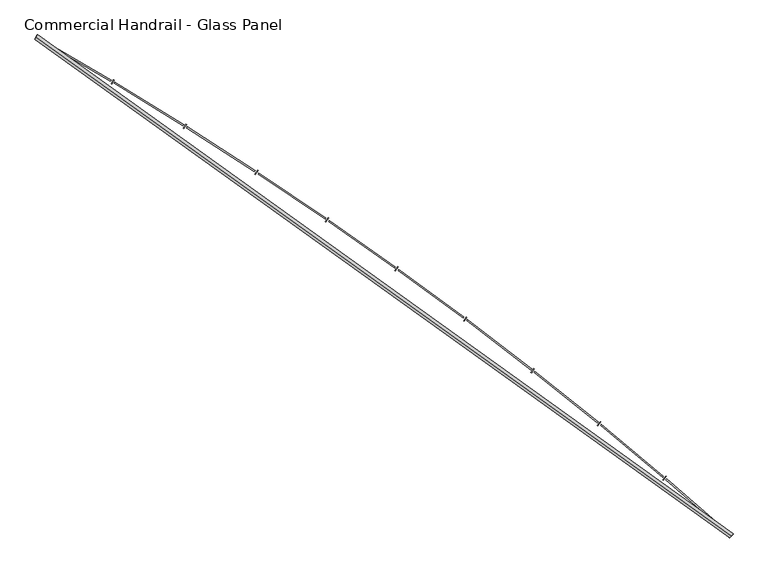
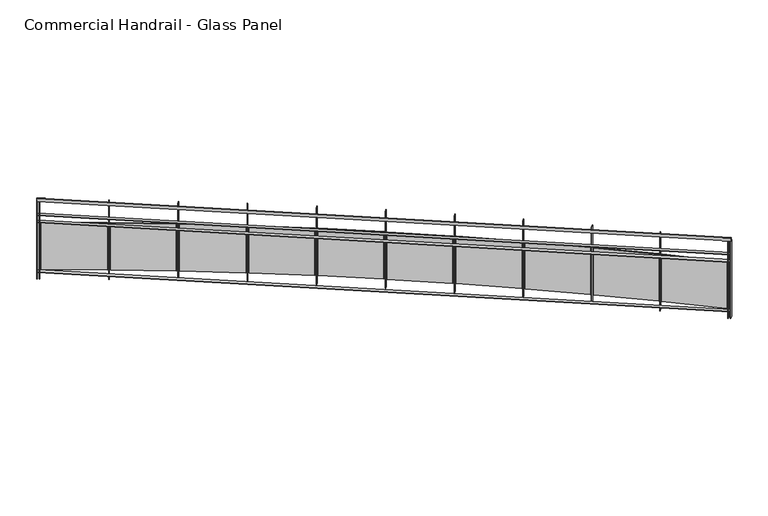
"""IFC4 building model written with IfcOpenShell, lengths in millimetres: railing geometry, Commercial Handrail - Glass Panel."""

from ifc_helpers import new_model, si_unit, point, frame, origin, place, context, project, spatial, polyline, circle_curve, ellipse_curve, trimmed, outline, extrude, source, transform, mapped, element, save
from ifc_brep_helpers import plane_surface, cylinder_surface, revolved_surface, advanced_brep


def commercial_handrail_glass_panel_97b511db(model_context):
    return source(origin(), model_context, "Body", "SolidModel", [
        advanced_brep(
        [(167549.0741026, -21421.502679, 16282.5), (161013.6212135, -16726.1286002, 16282.5), (161013.6212135, -16726.1286002, 16317.5), (167549.0741026, -21421.502679, 16317.5)],
        [
            (0, 1, circle_curve(frame((141448.4989992, -50854.6714836, 16282.5), z_axis=(0.0, 0.0, 1.0), x_axis=(0.4973475894068907, 0.8675513675346002, 0.0)), 39338.9304203)),
            (1, 2, ellipse_curve(frame((161013.6212135, -16726.1286002, 16300.0), z_axis=(0.867551367534597, -0.4973475894068962, 0.0), x_axis=(-0.4973475894068962, -0.867551367534597, 0.0)), 25.0, 17.5)),
            (2, 3, circle_curve(frame((141448.4989992, -50854.6714836, 16317.5), z_axis=(0.0, 0.0, -1.0), x_axis=(0.4973475894068907, 0.8675513675346002, 0.0)), 39338.9304203)),
            (3, 0, ellipse_curve(frame((167549.0741026, -21421.502679, 16300.0), z_axis=(-0.748194434626209, 0.6634795309535686, 0.0), x_axis=(-0.6634795309535686, -0.748194434626209, 0.0)), 25.0, 17.5)),
            (2, 1, ellipse_curve(frame((161013.6212135, -16726.1286002, 16300.0), z_axis=(0.867551367534597, -0.4973475894068962, 0.0), x_axis=(-0.4973475894068962, -0.867551367534597, 0.0)), 25.0, 17.5)),
            (0, 3, ellipse_curve(frame((167549.0741026, -21421.502679, 16300.0), z_axis=(-0.748194434626209, 0.6634795309535686, 0.0), x_axis=(-0.6634795309535686, -0.748194434626209, 0.0)), 25.0, 17.5)),
        ],
        [
            revolved_surface(trimmed(ellipse_curve(frame((161013.6212135, -16726.1286002, 16300.0), z_axis=(-0.8675513675346002, 0.4973475894068907, 0.0), x_axis=(0.0, 0.0, -1.0)), 17.5, 25.0), [point((161013.6212135, -16726.1286002, 16317.5))], [point((161013.6212135, -16726.1286002, 16282.5))], True, "CARTESIAN"), (141448.4989992, -50854.6714836, 16300.0), (0.0, 0.0, -1.0)),
            revolved_surface(trimmed(ellipse_curve(frame((161013.6212135, -16726.1286002, 16300.0), z_axis=(-0.8675513675346002, 0.4973475894068907, 0.0), x_axis=(0.0, 0.0, -1.0)), 17.5, 25.0), [point((161013.6212135, -16726.1286002, 16282.5))], [point((161013.6212135, -16726.1286002, 16317.5))], True, "CARTESIAN"), (141448.4989992, -50854.6714836, 16300.0), (0.0, 0.0, -1.0)),
            plane_surface(frame((161013.6212135, -16726.1286002, 16300.0), z_axis=(-0.8675513675346002, 0.4973475894068907, 0.0), x_axis=(0.4973475894068907, 0.8675513675346002, 0.0))),
            plane_surface(frame((167549.0741026, -21421.502679, 16300.0), z_axis=(0.7481944346262088, -0.663479530953569, 0.0), x_axis=(0.663479530953569, 0.7481944346262088, 0.0))),
        ],
        [
            (0, [[1, 2, 3, 4]]),
            (1, [[-3, 5, -1, 6]]),
            (2, [[-2, -5]]),
            (3, [[-6, -4]]),
        ],
    ),
        advanced_brep(
        [(167564.0023921, -21404.6683042, 16100.0), (161024.8115343, -16706.6086944, 16100.0), (161002.4308928, -16745.6485059, 16100.0), (167534.1458132, -21438.3370538, 16100.0), (167564.0023921, -21404.6683042, 16094.0), (161024.8115343, -16706.6086944, 16094.0), (167534.1458132, -21438.3370538, 16094.0), (161002.4308928, -16745.6485059, 16094.0)],
        [
            (0, 1, circle_curve(frame((141448.4989992, -50854.6714836, 16100.0), z_axis=(0.0, 0.0, 1.0), x_axis=(0.4973475894068907, 0.8675513675346002, 0.0)), 39361.4304203)),
            (1, 2),
            (2, 3, circle_curve(frame((141448.4989992, -50854.6714836, 16100.0), z_axis=(0.0, 0.0, -1.0), x_axis=(0.4973475894068907, 0.8675513675346002, 0.0)), 39316.4304203)),
            (3, 0),
            (4, 5, circle_curve(frame((141448.4989992, -50854.6714836, 16094.0), z_axis=(0.0, 0.0, 1.0), x_axis=(0.4973475894068907, 0.8675513675346002, 0.0)), 39361.4304203)),
            (5, 1),
            (0, 4),
            (6, 7, circle_curve(frame((141448.4989992, -50854.6714836, 16094.0), z_axis=(0.0, 0.0, 1.0), x_axis=(0.4973475894068907, 0.8675513675346002, 0.0)), 39316.4304203)),
            (7, 5),
            (4, 6),
            (2, 7),
            (6, 3),
        ],
        [
            plane_surface(frame((141448.4989992, -50854.6714836, 16100.0), z_axis=(0.0, 0.0, 1.0), x_axis=(0.4973475894068907, 0.8675513675346002, 0.0))),
            cylinder_surface(frame((141448.4989992, -50854.6714836, 16100.0), z_axis=(0.0, 0.0, -1.0), x_axis=(0.4973475894068907, 0.8675513675346002, 0.0)), 39361.4304203),
            plane_surface(frame((141448.4989992, -50854.6714836, 16094.0), z_axis=(0.0, 0.0, -1.0), x_axis=(0.4973475894068907, 0.8675513675346002, 0.0))),
            revolved_surface(polyline([(161002.43089281995, -16745.64850588978, 16094.0), (161002.43089281995, -16745.64850588978, 16100.0)]), (141448.4989992, -50854.6714836, 16100.0), (0.0, 0.0, -1.0)),
            plane_surface(frame((161013.6212135, -16726.1286002, 16100.0), z_axis=(-0.8675513675346002, 0.4973475894068907, 0.0), x_axis=(0.4973475894068907, 0.8675513675346002, 0.0))),
            plane_surface(frame((167549.0741026, -21421.502679, 16100.0), z_axis=(0.7481944346262088, -0.663479530953569, 0.0), x_axis=(0.663479530953569, 0.7481944346262088, 0.0))),
        ],
        [
            (0, [[1, 2, 3, 4]]),
            (1, [[5, 6, -1, 7]]),
            (2, [[8, 9, -5, 10]]),
            (3, [[-3, 11, -8, 12]]),
            (4, [[-2, -6, -9, -11]]),
            (5, [[-12, -10, -7, -4]]),
        ],
    ),
        advanced_brep(
        [(167564.0023921, -21404.6683042, 16000.0), (161024.8115343, -16706.6086944, 16000.0), (161002.4308928, -16745.6485059, 16000.0), (167534.1458132, -21438.3370538, 16000.0), (167564.0023921, -21404.6683042, 15994.0), (161024.8115343, -16706.6086944, 15994.0), (167534.1458132, -21438.3370538, 15994.0), (161002.4308928, -16745.6485059, 15994.0)],
        [
            (0, 1, circle_curve(frame((141448.4989992, -50854.6714836, 16000.0), z_axis=(0.0, 0.0, 1.0), x_axis=(0.4973475894068907, 0.8675513675346002, 0.0)), 39361.4304203)),
            (1, 2),
            (2, 3, circle_curve(frame((141448.4989992, -50854.6714836, 16000.0), z_axis=(0.0, 0.0, -1.0), x_axis=(0.4973475894068907, 0.8675513675346002, 0.0)), 39316.4304203)),
            (3, 0),
            (4, 5, circle_curve(frame((141448.4989992, -50854.6714836, 15994.0), z_axis=(0.0, 0.0, 1.0), x_axis=(0.4973475894068907, 0.8675513675346002, 0.0)), 39361.4304203)),
            (5, 1),
            (0, 4),
            (6, 7, circle_curve(frame((141448.4989992, -50854.6714836, 15994.0), z_axis=(0.0, 0.0, 1.0), x_axis=(0.4973475894068907, 0.8675513675346002, 0.0)), 39316.4304203)),
            (7, 5),
            (4, 6),
            (2, 7),
            (6, 3),
        ],
        [
            plane_surface(frame((141448.4989992, -50854.6714836, 16000.0), z_axis=(0.0, 0.0, 1.0), x_axis=(0.4973475894068907, 0.8675513675346002, 0.0))),
            cylinder_surface(frame((141448.4989992, -50854.6714836, 16000.0), z_axis=(0.0, 0.0, -1.0), x_axis=(0.4973475894068907, 0.8675513675346002, 0.0)), 39361.4304203),
            plane_surface(frame((141448.4989992, -50854.6714836, 15994.0), z_axis=(0.0, 0.0, -1.0), x_axis=(0.4973475894068907, 0.8675513675346002, 0.0))),
            revolved_surface(polyline([(161002.43089281995, -16745.64850588978, 15994.0), (161002.43089281995, -16745.64850588978, 16000.0)]), (141448.4989992, -50854.6714836, 16000.0), (0.0, 0.0, -1.0)),
            plane_surface(frame((161013.6212135, -16726.1286002, 16000.0), z_axis=(-0.8675513675346002, 0.4973475894068907, 0.0), x_axis=(0.4973475894068907, 0.8675513675346002, 0.0))),
            plane_surface(frame((167549.0741026, -21421.502679, 16000.0), z_axis=(0.7481944346262088, -0.663479530953569, 0.0), x_axis=(0.663479530953569, 0.7481944346262088, 0.0))),
        ],
        [
            (0, [[1, 2, 3, 4]]),
            (1, [[5, 6, -1, 7]]),
            (2, [[8, 9, -5, 10]]),
            (3, [[-3, 11, -8, 12]]),
            (4, [[-2, -6, -9, -11]]),
            (5, [[-12, -10, -7, -4]]),
        ],
    ),
        advanced_brep(
        [(167564.0023921, -21404.6683042, 15300.0), (161024.8115343, -16706.6086944, 15300.0), (161002.4308928, -16745.6485059, 15300.0), (167534.1458132, -21438.3370538, 15300.0), (167564.0023921, -21404.6683042, 15294.0), (161024.8115343, -16706.6086944, 15294.0), (167534.1458132, -21438.3370538, 15294.0), (161002.4308928, -16745.6485059, 15294.0)],
        [
            (0, 1, circle_curve(frame((141448.4989992, -50854.6714836, 15300.0), z_axis=(0.0, 0.0, 1.0), x_axis=(0.4973475894068907, 0.8675513675346002, 0.0)), 39361.4304203)),
            (1, 2),
            (2, 3, circle_curve(frame((141448.4989992, -50854.6714836, 15300.0), z_axis=(0.0, 0.0, -1.0), x_axis=(0.4973475894068907, 0.8675513675346002, 0.0)), 39316.4304203)),
            (3, 0),
            (4, 5, circle_curve(frame((141448.4989992, -50854.6714836, 15294.0), z_axis=(0.0, 0.0, 1.0), x_axis=(0.4973475894068907, 0.8675513675346002, 0.0)), 39361.4304203)),
            (5, 1),
            (0, 4),
            (6, 7, circle_curve(frame((141448.4989992, -50854.6714836, 15294.0), z_axis=(0.0, 0.0, 1.0), x_axis=(0.4973475894068907, 0.8675513675346002, 0.0)), 39316.4304203)),
            (7, 5),
            (4, 6),
            (2, 7),
            (6, 3),
        ],
        [
            plane_surface(frame((141448.4989992, -50854.6714836, 15300.0), z_axis=(0.0, 0.0, 1.0), x_axis=(0.4973475894068907, 0.8675513675346002, 0.0))),
            cylinder_surface(frame((141448.4989992, -50854.6714836, 15300.0), z_axis=(0.0, 0.0, -1.0), x_axis=(0.4973475894068907, 0.8675513675346002, 0.0)), 39361.4304203),
            plane_surface(frame((141448.4989992, -50854.6714836, 15294.0), z_axis=(0.0, 0.0, -1.0), x_axis=(0.4973475894068907, 0.8675513675346002, 0.0))),
            revolved_surface(polyline([(161002.43089281995, -16745.64850588978, 15294.0), (161002.43089281995, -16745.64850588978, 15300.0)]), (141448.4989992, -50854.6714836, 15300.0), (0.0, 0.0, -1.0)),
            plane_surface(frame((161013.6212135, -16726.1286002, 15300.0), z_axis=(-0.8675513675346002, 0.4973475894068907, 0.0), x_axis=(0.4973475894068907, 0.8675513675346002, 0.0))),
            plane_surface(frame((167549.0741026, -21421.502679, 15300.0), z_axis=(0.7481944346262088, -0.663479530953569, 0.0), x_axis=(0.663479530953569, 0.7481944346262088, 0.0))),
        ],
        [
            (0, [[1, 2, 3, 4]]),
            (1, [[5, 6, -1, 7]]),
            (2, [[8, 9, -5, 10]]),
            (3, [[-3, 11, -8, 12]]),
            (4, [[-2, -6, -9, -11]]),
            (5, [[-12, -10, -7, -4]]),
        ],
    ),
        extrude(outline(polyline([(167508.9444824, -21416.0082801), (167538.7747877, -21382.3162501), (167543.2670583, -21386.2936241), (167513.436753, -21419.9856541), (167508.9444824, -21416.0082801)])), frame((0.0, 0.0, 15200.0), z_axis=(0.0, 0.0, 1.0), x_axis=(1.0, 0.0, 0.0)), (0.0, 0.0, 1.0), 1082.1192282),
        extrude(outline(polyline([(166942.1525945, -20883.992877), (167516.2667104, -21381.9818146), (167508.4037272, -21391.0467743), (166934.2896113, -20893.0578368), (166942.1525945, -20883.992877)])), frame((0.0, 0.0, 15320.0), z_axis=(0.0, 0.0, 1.0), x_axis=(1.0, 0.0, 0.0)), (0.0, 0.0, 1.0), 660.0),
        extrude(outline(polyline([(166904.9299151, -20892.1643286), (166934.0689354, -20857.8726752), (166938.6411559, -20861.7578779), (166909.5021355, -20896.0495313), (166904.9299151, -20892.1643286)])), frame((0.0, 0.0, 15200.0), z_axis=(0.0, 0.0, 1.0), x_axis=(1.0, 0.0, 0.0)), (0.0, 0.0, 1.0), 1082.1192282),
        extrude(outline(polyline([(166327.4368564, -20371.7844669), (166911.5587116, -20857.9960035), (166903.8816873, -20867.2189802), (166319.7598321, -20381.0074436), (166327.4368564, -20371.7844669)])), frame((0.0, 0.0, 15320.0), z_axis=(0.0, 0.0, 1.0), x_axis=(1.0, 0.0, 0.0)), (0.0, 0.0, 1.0), 660.0),
        extrude(outline(polyline([(166290.3880375, -20380.7111404), (166318.8237226, -20345.8340446), (166323.4740021, -20349.6254693), (166295.0383169, -20384.5025651), (166290.3880375, -20380.7111404)])), frame((0.0, 0.0, 15200.0), z_axis=(0.0, 0.0, 1.0), x_axis=(1.0, 0.0, 0.0)), (0.0, 0.0, 1.0), 1082.1192282),
        extrude(outline(polyline([(165702.4326258, -19872.1820192), (166296.3206611, -20346.4150858), (166288.8327706, -20355.7922653), (165694.9447352, -19881.5591987), (165702.4326258, -19872.1820192)])), frame((0.0, 0.0, 15320.0), z_axis=(0.0, 0.0, 1.0), x_axis=(1.0, 0.0, 0.0)), (0.0, 0.0, 1.0), 660.0),
        extrude(outline(polyline([(165665.5729886, -19881.860223), (165693.2935792, -19846.4121081), (165698.0199946, -19850.1081868), (165670.2994039, -19885.5563018), (165665.5729886, -19881.860223)])), frame((0.0, 0.0, 15200.0), z_axis=(0.0, 0.0, 1.0), x_axis=(1.0, 0.0, 0.0)), (0.0, 0.0, 1.0), 1082.1192282),
        extrude(outline(polyline([(165067.3983683, -19385.3921406), (165670.8069859, -19847.4506219), (165663.5113257, -19856.9781264), (165060.102708, -19394.9196451), (165067.3983683, -19385.3921406)])), frame((0.0, 0.0, 15320.0), z_axis=(0.0, 0.0, 1.0), x_axis=(1.0, 0.0, 0.0)), (0.0, 0.0, 1.0), 660.0),
        extrude(outline(polyline([(165030.7431559, -19395.8178725), (165057.7371883, -19359.8133976), (165062.537785, -19363.412602), (165035.5437525, -19399.4170768), (165030.7431559, -19395.8178725)])), frame((0.0, 0.0, 15200.0), z_axis=(0.0, 0.0, 1.0), x_axis=(1.0, 0.0, 0.0)), (0.0, 0.0, 1.0), 1082.1192282),
        extrude(outline(polyline([(164422.5966974, -18911.6161393), (165035.2763625, -19361.3089545), (165028.1759496, -19370.982844), (164415.4962846, -18921.2900288), (164422.5966974, -18911.6161393)])), frame((0.0, 0.0, 15320.0), z_axis=(0.0, 0.0, 1.0), x_axis=(1.0, 0.0, 0.0)), (0.0, 0.0, 1.0), 660.0),
        extrude(outline(polyline([(164386.1610683, -18922.7850878), (164412.4173794, -18886.2391424), (164417.2901721, -18889.7399839), (164391.033861, -18926.2859293), (164386.1610683, -18922.7850878)])), frame((0.0, 0.0, 15200.0), z_axis=(0.0, 0.0, 1.0), x_axis=(1.0, 0.0, 0.0)), (0.0, 0.0, 1.0), 1082.1192282),
        extrude(outline(polyline([(163768.294266, -18451.0499418), (164389.9916095, -18888.1911239), (164383.0893803, -18898.0073978), (163761.3920368, -18460.8662157), (163768.294266, -18451.0499418)])), frame((0.0, 0.0, 15320.0), z_axis=(0.0, 0.0, 1.0), x_axis=(1.0, 0.0, 0.0)), (0.0, 0.0, 1.0), 660.0),
        extrude(outline(polyline([(163732.0932877, -18462.957488), (163757.6010195, -18425.8851854), (163762.5439932, -18429.2862163), (163737.0362614, -18466.3585189), (163732.0932877, -18462.957488)])), frame((0.0, 0.0, 15200.0), z_axis=(0.0, 0.0, 1.0), x_axis=(1.0, 0.0, 0.0)), (0.0, 0.0, 1.0), 1082.1192282),
        extrude(outline(polyline([(163104.7616557, -18003.8840116), (163735.2195795, -18428.2927843), (163728.5183883, -18438.2473831), (163098.0604645, -18013.8386104), (163104.7616557, -18003.8840116)])), frame((0.0, 0.0, 15320.0), z_axis=(0.0, 0.0, 1.0), x_axis=(1.0, 0.0, 0.0)), (0.0, 0.0, 1.0), 660.0),
        extrude(outline(polyline([(163068.810299, -18016.5252312), (163093.5589027, -17978.9419023), (163098.5700133, -17982.2417162), (163073.8214095, -18019.8250451), (163068.810299, -18016.5252312)])), frame((0.0, 0.0, 15200.0), z_axis=(0.0, 0.0, 1.0), x_axis=(1.0, 0.0, 0.0)), (0.0, 0.0, 1.0), 1082.1192282),
        extrude(outline(polyline([(162432.2732653, -17570.3032708), (163071.2310484, -17981.8041231), (163064.7336665, -17991.8929302), (162425.7758834, -17580.3920779), (162432.2732653, -17570.3032708)])), frame((0.0, 0.0, 15320.0), z_axis=(0.0, 0.0, 1.0), x_axis=(1.0, 0.0, 0.0)), (0.0, 0.0, 1.0), 660.0),
        extrude(outline(polyline([(162396.5863975, -17583.6729362), (162420.5656387, -17545.5941233), (162425.6428138, -17548.7913555), (162401.6635725, -17586.8701683), (162396.5863975, -17583.6729362)])), frame((0.0, 0.0, 15200.0), z_axis=(0.0, 0.0, 1.0), x_axis=(1.0, 0.0, 0.0)), (0.0, 0.0, 1.0), 1082.1192282),
        extrude(outline(polyline([(161751.1071971, -17150.4870233), (162398.3006035, -17548.9097821), (162392.0097178, -17559.1286254), (161744.8163114, -17160.7058665), (161751.1071971, -17150.4870233)])), frame((0.0, 0.0, 15320.0), z_axis=(0.0, 0.0, 1.0), x_axis=(1.0, 0.0, 0.0)), (0.0, 0.0, 1.0), 660.0),
        extrude(outline(polyline([(161715.6995763, -17164.5796055), (161738.8995386, -17126.0210558), (161744.0406785, -17129.1143841), (161720.8407163, -17167.6729338), (161715.6995763, -17164.5796055)])), frame((0.0, 0.0, 15200.0), z_axis=(0.0, 0.0, 1.0), x_axis=(1.0, 0.0, 0.0)), (0.0, 0.0, 1.0), 1082.1192282),
        extrude(outline(polyline([(161061.5451422, -16744.6088808), (161716.70653, -17129.7887816), (161710.6247421, -17140.1334351), (161055.4633543, -16754.9535343), (161061.5451422, -16744.6088808)])), frame((0.0, 0.0, 15320.0), z_axis=(0.0, 0.0, 1.0), x_axis=(1.0, 0.0, 0.0)), (0.0, 0.0, 1.0), 660.0),
        extrude(outline(polyline([(161026.431411, -16759.418552), (161048.8425001, -16720.3962112), (161054.0454789, -16723.3843564), (161031.6343898, -16762.4066972), (161026.431411, -16759.418552)])), frame((0.0, 0.0, 15200.0), z_axis=(0.0, 0.0, 1.0), x_axis=(1.0, 0.0, 0.0)), (0.0, 0.0, 1.0), 1082.1192282),
        extrude(outline(polyline([(167531.9012299, -21436.3466152), (167561.7578088, -21402.6778657), (167566.2469754, -21406.6587428), (167536.3903965, -21440.3274924), (167531.9012299, -21436.3466152)])), frame((0.0, 0.0, 15200.0), z_axis=(0.0, 0.0, 1.0), x_axis=(1.0, 0.0, 0.0)), (0.0, 0.0, 1.0), 1082.1192282),
        extrude(outline(polyline([(160999.8282387, -16744.1564632), (161022.2088802, -16705.1166516), (161027.4141884, -16708.1007372), (161005.0335469, -16747.1405487), (160999.8282387, -16744.1564632)])), frame((0.0, 0.0, 15200.0), z_axis=(0.0, 0.0, 1.0), x_axis=(1.0, 0.0, 0.0)), (0.0, 0.0, 1.0), 1082.1192282),
    ])


if __name__ == "__main__":
    model = new_model("IFC4")
    model_context = context("Model", 3, world=origin())
    ifc_project = project(units=[si_unit("LENGTHUNIT", "METRE", prefix="MILLI")], contexts=[model_context])
    site = spatial("IfcSite", under=ifc_project)
    building = spatial("IfcBuilding", under=site)
    placement = place(None, origin())
    commercial_handrail_glass_panel_shape = commercial_handrail_glass_panel_97b511db(model_context)
    element("IfcRailing", 1, ObjectType="Commercial Handrail - Glass Panel", at=placement, inside=building, context=model_context, shape_type="MappedRepresentation", body=[
        mapped(commercial_handrail_glass_panel_shape, transform((0.0, 0.0, 0.0), x_axis=(1.0, 0.0, 0.0), y_axis=(0.0, 1.0, 0.0), z_axis=(0.0, 0.0, 1.0))),
    ])
    save(model, "model.ifc")
